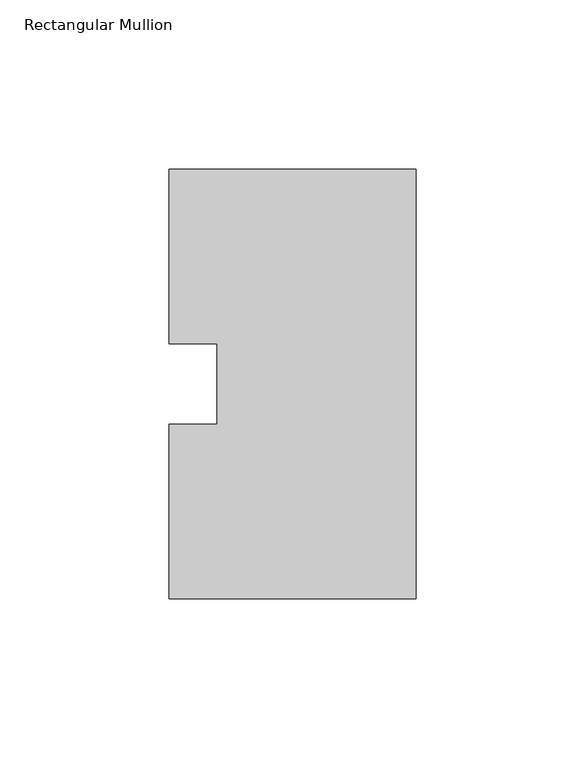
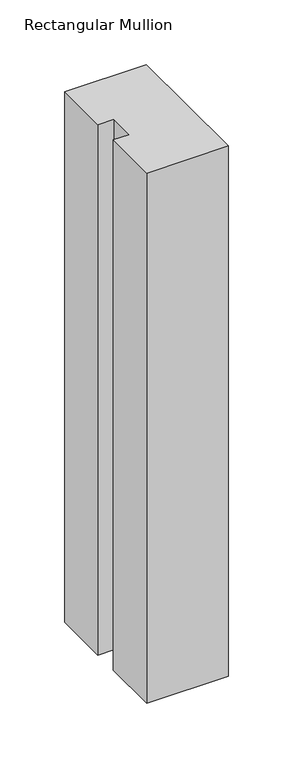
"""IFC4 building model written with IfcOpenShell, lengths in millimetres: member geometry, Rectangular Mullion."""

from ifc_helpers import new_model, si_unit, frame, origin, place, context, project, spatial, polyline, outline, extrude, source, transform, mapped, element, save


def rectangular_mullion_b1c033bd(model_context):
    return source(origin(), model_context, "Body", "SweptSolid", [
        extrude(outline(polyline([(0.0, 127.00635), (0.0, 0.00635), (-73.025, 0.00635), (-73.025, 51.60645), (-58.7375, 51.60645), (-58.7375, 75.40625), (-73.025, 75.40625), (-73.025, 127.00635), (0.0, 127.00635)])), frame((0.0, 0.0, -501.65), z_axis=(0.0, 0.0, 1.0), x_axis=(1.0, 0.0, 0.0)), (0.0, 0.0, 1.0), 501.65),
    ])


if __name__ == "__main__":
    model = new_model("IFC4")
    model_context = context("Model", 3, world=origin())
    ifc_project = project(units=[si_unit("LENGTHUNIT", "METRE", prefix="MILLI")], contexts=[model_context])
    site = spatial("IfcSite", under=ifc_project)
    building = spatial("IfcBuilding", under=site)
    placement = place(None, origin())
    rectangular_mullion_shape = rectangular_mullion_b1c033bd(model_context)
    element("IfcMember", 1, ObjectType="Rectangular Mullion", at=placement, inside=building, context=model_context, shape_type="MappedRepresentation", body=[
        mapped(rectangular_mullion_shape, transform((0.0, 0.0, 0.0), x_axis=(1.0, 0.0, 0.0), y_axis=(0.0, 1.0, 0.0), z_axis=(0.0, 0.0, 1.0))),
    ])
    save(model, "model.ifc")
